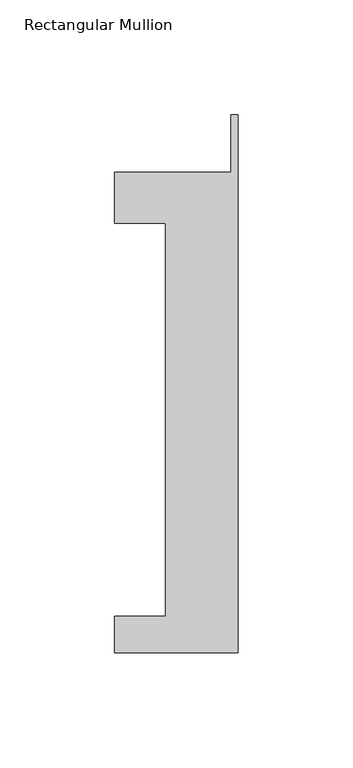
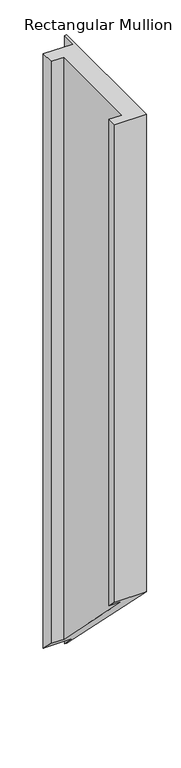
"""IFC4 building model written with IfcOpenShell, lengths in millimetres: member geometry, Rectangular Mullion."""

import ifcopenshell
import ifcopenshell.guid

model = None  # the IFC model being written
_history = None  # IfcOwnerHistory: only IFC2X3 demands one
_inside = {}  # id of a spatial element -> (the spatial element, [elements in it])
_under = {}  # id of a project, library or spatial element -> (it, [spatial elements below it])
_declared = {}  # id of a project -> (the project, [libraries it declares])
_typed = {}  # id of a type object -> (the type object, [elements of that type])
_made_of = {}  # id of a material, layer set ... -> (it, [elements and type objects made of it])


def new_model(schema):
    """Start an empty IFC model of exactly this schema.

    Asked for "IFC4X3", IfcOpenShell would pick the latest addendum, in which some entities
    have other attributes; the version numbers below select the first issue.
    IFC2X3 requires an IfcOwnerHistory on every rooted entity: one is made here for all.
    """
    global model, _history
    if schema == "IFC4X3":
        model = ifcopenshell.file(schema_version=(4, 3, 0, 0))
    else:
        model = ifcopenshell.file(schema=schema)
    _inside.clear()
    _under.clear()
    _declared.clear()
    _typed.clear()
    _made_of.clear()
    _history = None
    if model.schema == "IFC2X3":
        org = make("IfcOrganization", Name="unknown")
        user = make(
            "IfcPersonAndOrganization",
            ThePerson=make("IfcPerson", FamilyName="unknown"),
            TheOrganization=org,
        )
        app = make(
            "IfcApplication",
            ApplicationDeveloper=org,
            Version="unknown",
            ApplicationFullName="unknown",
            ApplicationIdentifier="unknown",
        )
        _history = make(
            "IfcOwnerHistory",
            OwningUser=user,
            OwningApplication=app,
            ChangeAction="ADDED",
            CreationDate=0,
        )
    return model


def make(cls, **values):
    """One entity of the class cls with the attributes given. An attribute that is None is left unset."""
    return model.create_entity(
        cls, **{name: value for name, value in values.items() if value is not None}
    )


def rooted(cls, **values):
    """An entity with a GlobalId (a new one), such as an element, a storey or a relation."""
    return make(cls, GlobalId=ifcopenshell.guid.new(), OwnerHistory=_history, **values)


def si_unit(unit_type, name, prefix=None):
    """IfcSIUnit, for example si_unit("LENGTHUNIT", "METRE", prefix="MILLI")."""
    return make("IfcSIUnit", UnitType=unit_type, Prefix=prefix, Name=name)


def assignment(units):
    """IfcUnitAssignment: the units of a project."""
    return None if units is None else make("IfcUnitAssignment", Units=units)


def point(xyz):
    """IfcCartesianPoint."""
    return None if xyz is None else make("IfcCartesianPoint", Coordinates=xyz)


def direction(xyz):
    """IfcDirection."""
    return None if xyz is None else make("IfcDirection", DirectionRatios=xyz)


def frame(location, z_axis=None, x_axis=None):
    """IfcAxis2Placement3D, a coordinate frame: its origin and axes. An axis left out is left unset."""
    return make(
        "IfcAxis2Placement3D",
        Location=point(location),
        Axis=direction(z_axis),
        RefDirection=direction(x_axis),
    )


def origin():
    """The frame at (0, 0, 0) with its axes left unset."""
    return frame((0.0, 0.0, 0.0))


def place(relative_to, where):
    """IfcLocalPlacement: puts the frame where relative to a parent placement (None: the world)."""
    return make(
        "IfcLocalPlacement", PlacementRelTo=relative_to, RelativePlacement=where
    )


def context(
    kind, dimensions, precision=None, world=None, true_north=None, identifier=None
):
    """IfcGeometricRepresentationContext, for example the 3D "Model" context."""
    return make(
        "IfcGeometricRepresentationContext",
        ContextIdentifier=identifier,
        ContextType=kind,
        CoordinateSpaceDimension=dimensions,
        Precision=precision,
        WorldCoordinateSystem=world,
        TrueNorth=true_north,
    )


def project(units=None, contexts=None):
    """IfcProject with its units and contexts."""
    return rooted(
        "IfcProject",
        Name="project",
        RepresentationContexts=contexts,
        UnitsInContext=assignment(units),
    )


def spatial(cls, under=None, at=None, **own):
    """A site, building, storey or space (cls), placed at a placement, below another one or the project."""
    s = rooted(cls, ObjectPlacement=at, **own)
    if under is not None:
        _under.setdefault(under.id(), (under, []))[1].append(s)
    return s


def faces_of(points, faces, orient=None, outer=None):
    """IfcFace entities. A face is a list of loops; a loop is a list of indices into points, from 0.

    orient and outer hold one flag for each loop. By default every Orientation is true, the
    first loop of a face is its IfcFaceOuterBound and the others are IfcFaceBound.
    """
    made = []
    for i, loops in enumerate(faces):
        bounds = []
        for j, loop in enumerate(loops):
            is_outer = j == 0 if outer is None else outer[i][j]
            bounds.append(
                make(
                    "IfcFaceOuterBound" if is_outer else "IfcFaceBound",
                    Bound=make("IfcPolyLoop", Polygon=[points[k] for k in loop]),
                    Orientation=True if orient is None else orient[i][j],
                )
            )
        made.append(make("IfcFace", Bounds=bounds))
    return made


def faceted_brep(points, faces, orient=None, outer=None, voids=None):
    """IfcFacetedBrep: a solid bounded by flat faces; with voids (closed shells), ...WithVoids."""
    shared = [point(p) for p in points]
    hull = make("IfcClosedShell", CfsFaces=faces_of(shared, faces, orient, outer))
    if voids is None:
        return make("IfcFacetedBrep", Outer=hull)
    return make(
        "IfcFacetedBrepWithVoids",
        Outer=hull,
        Voids=[
            make(cls, CfsFaces=faces_of(shared, fs, o, b)) for cls, fs, o, b in voids
        ],
    )


def shape(context_of_items, identifier, shape_type, items):
    """IfcShapeRepresentation: the items that make up one representation, for example the "Body"."""
    return make(
        "IfcShapeRepresentation",
        ContextOfItems=context_of_items,
        RepresentationIdentifier=identifier,
        RepresentationType=shape_type,
        Items=items,
    )


def source(mapping_origin, context_of_items, identifier, shape_type, items):
    """IfcRepresentationMap: a shape defined once, which mapped items show again and again."""
    return make(
        "IfcRepresentationMap",
        MappingOrigin=mapping_origin,
        MappedRepresentation=shape(context_of_items, identifier, shape_type, items),
    )


def transform(
    local_origin,
    x_axis=None,
    y_axis=None,
    z_axis=None,
    scale=None,
    scale2=None,
    scale3=None,
    uniform=True,
):
    """IfcCartesianTransformationOperator3D, or its non-uniform kind. x_axis, y_axis, z_axis: its Axis1, 2, 3."""
    if uniform:
        return make(
            "IfcCartesianTransformationOperator3D",
            Axis1=direction(x_axis),
            Axis2=direction(y_axis),
            LocalOrigin=point(local_origin),
            Scale=scale,
            Axis3=direction(z_axis),
        )
    return make(
        "IfcCartesianTransformationOperator3DnonUniform",
        Axis1=direction(x_axis),
        Axis2=direction(y_axis),
        LocalOrigin=point(local_origin),
        Scale=scale,
        Axis3=direction(z_axis),
        Scale2=scale2,
        Scale3=scale3,
    )


def mapped(mapping_source, mapping_target):
    """IfcMappedItem: shows the shape of a source again, moved by a transform."""
    return make(
        "IfcMappedItem", MappingSource=mapping_source, MappingTarget=mapping_target
    )


def made_of(thing, what):
    """Note that an element or type object is made of a material, layer set ...; save() writes the relation."""
    if what is not None:
        _made_of.setdefault(what.id(), (what, []))[1].append(thing)
    return thing


def element(
    cls,
    number,
    at=None,
    inside=None,
    cuts=None,
    type_object=None,
    material=None,
    context=None,
    identifier="Body",
    shape_type=None,
    held_by="IfcProductDefinitionShape",
    body=None,
    shapes=None,
    **own,
):
    """One element of the class cls, such as IfcWall. Its Tag is "e" and its number.

    at: its placement. inside: the storey or other place that contains it. cuts: it is an
    opening in that element (IfcRelVoidsElement). A single representation is given by context,
    identifier, shape_type and body (its items); several are given by shapes. held_by: the class
    of the entity that holds the representations. save() writes the other relations.
    """
    e = rooted(cls, Tag="e%d" % number, ObjectPlacement=at, **own)
    if body is not None:
        shapes = [shape(context, identifier, shape_type, body)]
    if shapes is not None:
        e.Representation = make(held_by, Representations=shapes)
    if inside is not None:
        _inside.setdefault(inside.id(), (inside, []))[1].append(e)
    if cuts is not None:
        rooted(
            "IfcRelVoidsElement", RelatingBuildingElement=cuts, RelatedOpeningElement=e
        )
    if type_object is not None:
        _typed.setdefault(type_object.id(), (type_object, []))[1].append(e)
    return made_of(e, material)


def aggregate(whole, parts):
    """IfcRelAggregates: a whole, such as a stair, and the parts it consists of."""
    return rooted("IfcRelAggregates", RelatingObject=whole, RelatedObjects=parts)


def save(model, path):
    """Write the relations noted so far, then the file.

    IfcRelAggregates (storeys below a building ...), IfcRelContainedInSpatialStructure (elements
    in a storey), IfcRelDefinesByType, IfcRelAssociatesMaterial and IfcRelDeclares: one each for
    every whole, place, type object, material and project.
    """
    for whole, parts in _under.values():
        aggregate(whole, parts)
    for where, things in _inside.values():
        rooted(
            "IfcRelContainedInSpatialStructure",
            RelatedElements=things,
            RelatingStructure=where,
        )
    for kind, things in _typed.values():
        rooted("IfcRelDefinesByType", RelatedObjects=things, RelatingType=kind)
    for what, things in _made_of.values():
        rooted("IfcRelAssociatesMaterial", RelatedObjects=things, RelatingMaterial=what)
    for by, libraries in _declared.values():
        rooted("IfcRelDeclares", RelatingContext=by, RelatedDefinitions=libraries)
    model.write(path)


def rectangular_mullion_5dbe112c(model_context):
    return source(origin(), model_context, "Body", "Brep", [
        faceted_brep([(-53.975, -221.996, 0.0), (0.0, -221.996, 0.0), (0.0, 12.7, 0.0), (-3.175, 12.7, 0.0), (-3.175, -12.446, 0.0), (-53.975, -12.446, 0.0), (-53.975, -34.671, 0.0), (-31.75, -34.671, 0.0), (-31.75, -206.121, 0.0), (-53.975, -206.121, 0.0), (-53.975, -221.996, -856.4544373), (0.0, -221.996, -856.4544373), (0.0, 12.7, -1091.1504373), (-3.175, 12.7, -1091.1504373), (-3.175, -12.446, -1066.0044373), (-53.975, -12.446, -1066.0044373), (-53.975, -34.671, -1043.7794373), (-31.75, -34.671, -1043.7794373), (-31.75, -206.121, -872.3294373), (-53.975, -206.121, -872.3294373)], [[[0, 1, 2, 3, 4, 5, 6, 7, 8, 9]], [[1, 0, 10, 11]], [[2, 1, 11, 12]], [[3, 2, 12, 13]], [[4, 3, 13, 14]], [[5, 4, 14, 15]], [[6, 5, 15, 16]], [[7, 6, 16, 17]], [[8, 7, 17, 18]], [[9, 8, 18, 19]], [[0, 9, 19, 10]], [[10, 19, 18, 17, 16, 15, 14, 13, 12, 11]]]),
    ])


if __name__ == "__main__":
    model = new_model("IFC4")
    model_context = context("Model", 3, world=origin())
    ifc_project = project(units=[si_unit("LENGTHUNIT", "METRE", prefix="MILLI")], contexts=[model_context])
    site = spatial("IfcSite", under=ifc_project)
    building = spatial("IfcBuilding", under=site)
    placement = place(None, origin())
    rectangular_mullion_shape = rectangular_mullion_5dbe112c(model_context)
    element("IfcMember", 1, ObjectType="Rectangular Mullion", at=placement, inside=building, context=model_context, shape_type="MappedRepresentation", body=[
        mapped(rectangular_mullion_shape, transform((0.0, 0.0, 0.0), x_axis=(1.0, 0.0, 0.0), y_axis=(0.0, 1.0, 0.0), z_axis=(0.0, 0.0, 1.0))),
    ])
    save(model, "model.ifc")
